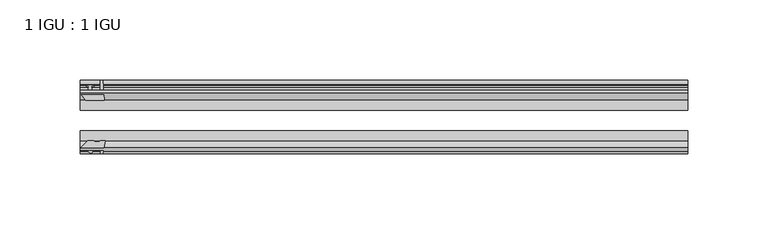
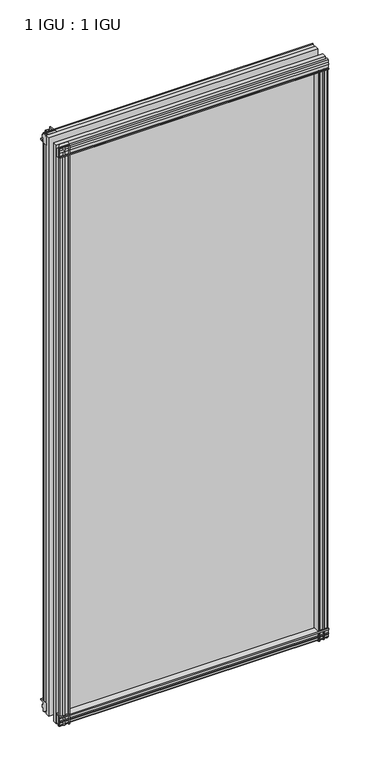
"""IFC4 building model written with IfcOpenShell, lengths in millimetres: plate geometry, 1 IGU : 1 IGU."""

from ifc_helpers import new_model, si_unit, point, frame, frame_2d, origin, place, context, project, spatial, polyline, circle_curve, trimmed, segment, composite_curve, outline, extrude, source, transform, mapped, element, save


def plate_1_igu_1_igu_d32b7763(model_context):
    return source(origin(), model_context, "Body", "SweptSolid", [
        extrude(outline(polyline([(-24.9039062, 2.5763839), (-12.2039062, 1.5739665), (-12.2039062, 0.0), (-18.5539062, 0.0), (-18.5539062, -4.953), (-16.254502, -5.5691235), (-16.6301757, -4.1670901), (-15.7714677, -3.937), (-15.1249062, -6.35), (-15.7714677, -8.763), (-16.6301757, -8.5329099), (-16.254502, -7.1308765), (-18.5539062, -7.747), (-18.5539062, -12.7), (-20.5859062, -12.7), (-24.9039062, -9.1036931), (-24.9039062, 2.5763839)])), frame((-189.9536965, 0.0, 0.0), z_axis=(1.0, 0.0, 0.0), x_axis=(0.0, 1.0, 0.0)), (0.0, 0.0, 1.0), 379.9073929),
        extrude(outline(composite_curve([segment(polyline([(-58.2287402, 1.5687054), (-50.3039062, 3.0983599), (-50.3039062, -7.92383), (-54.4858806, -12.1058044)]), True, "CONTINUOUS"), segment(trimmed(circle_curve(frame_2d((-55.3839062, -11.2077788)), 1.27), [point((-54.4858806, -12.1058044))], [point((-56.6539062, -11.2077788))], False, "CARTESIAN"), True, "CONTINUOUS"), segment(polyline([(-56.6539062, -11.2077788), (-56.6539062, -8.0327788), (-58.1332022, -5.4488186), (-56.6539062, -5.1879788), (-56.6539062, 0.2222212), (-58.2287402, 0.0), (-58.2287402, 1.5687054)]), True, "CONTINUOUS")], self_intersect=False)), frame((-189.9536965, 0.0, 0.0), z_axis=(1.0, 0.0, 0.0), x_axis=(0.0, 1.0, 0.0)), (0.0, 0.0, 1.0), 379.9073929),
        extrude(outline(polyline([(-18.5539063, 845.956525), (-16.254502, 845.3404015), (-16.6301757, 846.7424349), (-15.7714677, 846.972525), (-15.1249063, 844.559525), (-15.7714677, 842.146525), (-16.6301757, 842.3766151), (-16.254502, 843.7786485), (-18.5539063, 843.162525), (-18.5539063, 838.209525), (-12.2039062, 838.209525), (-12.2039062, 836.6355584), (-24.9039063, 835.6331411), (-24.9039063, 847.3132181), (-20.5859063, 850.909525), (-18.5539063, 850.909525), (-18.5539063, 845.956525)])), frame((-189.9536965, 0.0, 0.0), z_axis=(1.0, 0.0, 0.0), x_axis=(0.0, 1.0, 0.0)), (0.0, 0.0, 1.0), 379.9073929),
        extrude(outline(composite_curve([segment(polyline([(-50.3039063, 846.133355), (-50.3039063, 835.1111651), (-58.2287402, 836.6408196), (-58.2287402, 838.209525), (-56.6539063, 837.9873038), (-56.6539063, 843.3975038), (-58.1332023, 843.6583436), (-56.6539063, 846.2423038), (-56.6539063, 849.4173038)]), True, "CONTINUOUS"), segment(trimmed(circle_curve(frame_2d((-55.3839063, 849.4173038)), 1.27), [point((-56.6539063, 849.4173038))], [point((-54.4858806, 850.3153294))], False, "CARTESIAN"), True, "CONTINUOUS"), segment(polyline([(-54.4858806, 850.3153294), (-50.3039063, 846.133355)]), True, "CONTINUOUS")], self_intersect=False)), frame((-189.9536965, 0.0, 0.0), z_axis=(1.0, 0.0, 0.0), x_axis=(0.0, 1.0, 0.0)), (0.0, 0.0, 1.0), 379.9073929),
        extrude(outline(composite_curve([segment(polyline([(175.5226525, -57.3876965), (174.1553365, -50.3039063), (185.1775265, -50.3039063), (189.3595009, -54.4858806)]), True, "CONTINUOUS"), segment(trimmed(circle_curve(frame_2d((188.4614753, -55.3839062)), 1.27), [point((189.3595009, -54.4858806))], [point((188.4614753, -56.6539062))], False, "CARTESIAN"), True, "CONTINUOUS"), segment(polyline([(188.4614753, -56.6539062), (185.2864753, -56.6539063), (182.7025151, -58.1332022), (182.4416753, -56.6539063), (177.0314753, -56.6539063), (177.2536965, -58.2287402), (176.2893757, -58.2014026)]), True, "CONTINUOUS"), segment(trimmed(circle_curve(frame_2d((176.5234753, -57.2127402)), 1.016), [point((176.2893757, -58.2014026))], [point((175.5226525, -57.3876965))], False, "CARTESIAN"), True, "CONTINUOUS")], self_intersect=False)), frame((0.0, 0.0, -12.7), z_axis=(0.0, 0.0, 1.0), x_axis=(1.0, 0.0, 0.0)), (0.0, 0.0, 1.0), 851.3064),
        extrude(outline(polyline([(182.2066965, -18.5539062), (182.82282, -16.254502), (181.4207866, -16.6301757), (181.1906965, -15.7714677), (183.6036965, -15.1249062), (186.0166965, -15.7714677), (185.7866063, -16.6301757), (184.384573, -16.254502), (185.0006965, -18.5539062), (189.9536965, -18.5539062), (189.9536965, -20.5859062), (186.3573896, -24.9039063), (174.6773125, -24.9039063), (175.6797299, -12.2039062), (177.2536965, -12.2039062), (177.2536965, -18.5539062), (182.2066965, -18.5539062)])), frame((0.0, 0.0, -12.7), z_axis=(0.0, 0.0, 1.0), x_axis=(1.0, 0.0, 0.0)), (0.0, 0.0, 1.0), 851.3064),
        extrude(outline(composite_curve([segment(polyline([(-185.2864753, -56.6539062), (-188.4614753, -56.6539062)]), True, "CONTINUOUS"), segment(trimmed(circle_curve(frame_2d((-188.4614753, -55.3839062)), 1.27), [point((-188.4614753, -56.6539062))], [point((-189.3595009, -54.4858806))], False, "CARTESIAN"), True, "CONTINUOUS"), segment(polyline([(-189.3595009, -54.4858806), (-185.1775265, -50.3039062), (-181.507981, -50.3039062)]), True, "CONTINUOUS"), segment(trimmed(circle_curve(frame_2d((-179.4444753, -46.3669062)), 4.445), [point((-181.507981, -50.3039062))], [point((-177.3809695, -50.3039062))], True, "CARTESIAN"), True, "CONTINUOUS"), segment(polyline([(-177.3809695, -50.3039062), (-174.1553365, -50.3039062), (-175.684991, -58.2287402), (-177.2536965, -58.2287402), (-177.0314753, -56.6539062), (-182.4416753, -56.6539062), (-182.7025151, -58.1332022), (-185.2864753, -56.6539062)]), True, "CONTINUOUS")], self_intersect=False)), frame((0.0, 0.0, -12.7), z_axis=(0.0, 0.0, 1.0), x_axis=(1.0, 0.0, 0.0)), (0.0, 0.0, 1.0), 863.609525),
        extrude(outline(polyline([(-174.6773125, -24.9039062), (-186.3573896, -24.9039062), (-189.9536965, -20.5859062), (-189.9536965, -18.5539062), (-185.0006965, -18.5539062), (-184.384573, -16.254502), (-185.7866063, -16.6301757), (-186.0166965, -15.7714677), (-183.6036965, -15.1249062), (-181.1906965, -15.7714677), (-181.4207866, -16.6301757), (-182.82282, -16.254502), (-182.2066965, -18.5539062), (-177.2536965, -18.5539062), (-177.2536965, -12.2039062), (-175.6797299, -12.2039062), (-174.6773125, -24.9039062)])), frame((0.0, 0.0, -12.7), z_axis=(0.0, 0.0, 1.0), x_axis=(1.0, 0.0, 0.0)), (0.0, 0.0, 1.0), 863.609525),
        extrude(outline(polyline([(189.9536965, -24.9039062), (189.9536965, -31.2031063), (-189.9536965, -31.2031063), (-189.9536965, -24.9039062), (189.9536965, -24.9039062)])), frame((0.0, 0.0, -12.7), z_axis=(0.0, 0.0, 1.0), x_axis=(1.0, 0.0, 0.0)), (0.0, 0.0, 1.0), 863.609525),
        extrude(outline(polyline([(-189.9536965, -44.0047063), (189.9536965, -44.0047063), (189.9536965, -50.3039062), (-189.9536965, -50.3039062), (-189.9536965, -44.0047063)])), frame((0.0, 0.0, -12.7), z_axis=(0.0, 0.0, 1.0), x_axis=(1.0, 0.0, 0.0)), (0.0, 0.0, 1.0), 863.609525),
    ])


if __name__ == "__main__":
    model = new_model("IFC4")
    model_context = context("Model", 3, world=origin())
    ifc_project = project(units=[si_unit("LENGTHUNIT", "METRE", prefix="MILLI")], contexts=[model_context])
    site = spatial("IfcSite", under=ifc_project)
    building = spatial("IfcBuilding", under=site)
    placement = place(None, origin())
    plate_1_igu_1_igu_shape = plate_1_igu_1_igu_d32b7763(model_context)
    element("IfcPlate", 1, ObjectType="1 IGU : 1 IGU", at=placement, inside=building, context=model_context, shape_type="MappedRepresentation", body=[
        mapped(plate_1_igu_1_igu_shape, transform((0.0, 0.0, 0.0), x_axis=(1.0, 0.0, 0.0), y_axis=(0.0, 1.0, 0.0), z_axis=(0.0, 0.0, 1.0))),
    ])
    save(model, "model.ifc")
